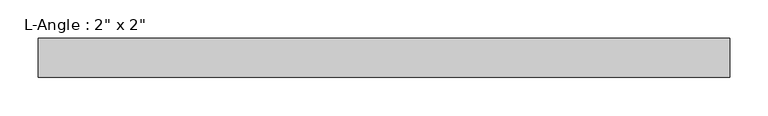
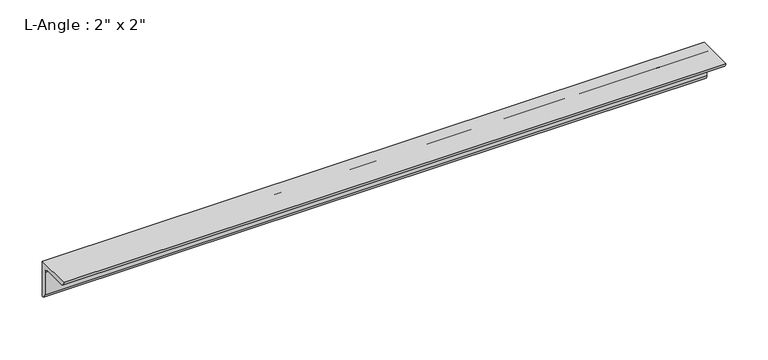
"""IFC4 building model written with IfcOpenShell, lengths in millimetres: beam geometry."""

import ifcopenshell
import ifcopenshell.guid

model = None  # the IFC model being written
_history = None  # IfcOwnerHistory: only IFC2X3 demands one
_inside = {}  # id of a spatial element -> (the spatial element, [elements in it])
_under = {}  # id of a project, library or spatial element -> (it, [spatial elements below it])
_declared = {}  # id of a project -> (the project, [libraries it declares])
_typed = {}  # id of a type object -> (the type object, [elements of that type])
_made_of = {}  # id of a material, layer set ... -> (it, [elements and type objects made of it])


def new_model(schema):
    """Start an empty IFC model of exactly this schema.

    Asked for "IFC4X3", IfcOpenShell would pick the latest addendum, in which some entities
    have other attributes; the version numbers below select the first issue.
    IFC2X3 requires an IfcOwnerHistory on every rooted entity: one is made here for all.
    """
    global model, _history
    if schema == "IFC4X3":
        model = ifcopenshell.file(schema_version=(4, 3, 0, 0))
    else:
        model = ifcopenshell.file(schema=schema)
    _inside.clear()
    _under.clear()
    _declared.clear()
    _typed.clear()
    _made_of.clear()
    _history = None
    if model.schema == "IFC2X3":
        org = make("IfcOrganization", Name="unknown")
        user = make(
            "IfcPersonAndOrganization",
            ThePerson=make("IfcPerson", FamilyName="unknown"),
            TheOrganization=org,
        )
        app = make(
            "IfcApplication",
            ApplicationDeveloper=org,
            Version="unknown",
            ApplicationFullName="unknown",
            ApplicationIdentifier="unknown",
        )
        _history = make(
            "IfcOwnerHistory",
            OwningUser=user,
            OwningApplication=app,
            ChangeAction="ADDED",
            CreationDate=0,
        )
    return model


def make(cls, **values):
    """One entity of the class cls with the attributes given. An attribute that is None is left unset."""
    return model.create_entity(
        cls, **{name: value for name, value in values.items() if value is not None}
    )


def rooted(cls, **values):
    """An entity with a GlobalId (a new one), such as an element, a storey or a relation."""
    return make(cls, GlobalId=ifcopenshell.guid.new(), OwnerHistory=_history, **values)


def si_unit(unit_type, name, prefix=None):
    """IfcSIUnit, for example si_unit("LENGTHUNIT", "METRE", prefix="MILLI")."""
    return make("IfcSIUnit", UnitType=unit_type, Prefix=prefix, Name=name)


def assignment(units):
    """IfcUnitAssignment: the units of a project."""
    return None if units is None else make("IfcUnitAssignment", Units=units)


def point(xyz):
    """IfcCartesianPoint."""
    return None if xyz is None else make("IfcCartesianPoint", Coordinates=xyz)


def direction(xyz):
    """IfcDirection."""
    return None if xyz is None else make("IfcDirection", DirectionRatios=xyz)


def frame(location, z_axis=None, x_axis=None):
    """IfcAxis2Placement3D, a coordinate frame: its origin and axes. An axis left out is left unset."""
    return make(
        "IfcAxis2Placement3D",
        Location=point(location),
        Axis=direction(z_axis),
        RefDirection=direction(x_axis),
    )


def frame_2d(location, x_axis=None):
    """IfcAxis2Placement2D, a coordinate frame in the plane: its origin and x axis."""
    return make(
        "IfcAxis2Placement2D", Location=point(location), RefDirection=direction(x_axis)
    )


def origin():
    """The frame at (0, 0, 0) with its axes left unset."""
    return frame((0.0, 0.0, 0.0))


def place(relative_to, where):
    """IfcLocalPlacement: puts the frame where relative to a parent placement (None: the world)."""
    return make(
        "IfcLocalPlacement", PlacementRelTo=relative_to, RelativePlacement=where
    )


def context(
    kind, dimensions, precision=None, world=None, true_north=None, identifier=None
):
    """IfcGeometricRepresentationContext, for example the 3D "Model" context."""
    return make(
        "IfcGeometricRepresentationContext",
        ContextIdentifier=identifier,
        ContextType=kind,
        CoordinateSpaceDimension=dimensions,
        Precision=precision,
        WorldCoordinateSystem=world,
        TrueNorth=true_north,
    )


def project(units=None, contexts=None):
    """IfcProject with its units and contexts."""
    return rooted(
        "IfcProject",
        Name="project",
        RepresentationContexts=contexts,
        UnitsInContext=assignment(units),
    )


def spatial(cls, under=None, at=None, **own):
    """A site, building, storey or space (cls), placed at a placement, below another one or the project."""
    s = rooted(cls, ObjectPlacement=at, **own)
    if under is not None:
        _under.setdefault(under.id(), (under, []))[1].append(s)
    return s


def polyline(points):
    """IfcPolyline through the points."""
    return make("IfcPolyline", Points=[point(p) for p in points])


def circle_curve(where, radius):
    """IfcCircle in the frame where."""
    return make("IfcCircle", Position=where, Radius=radius)


def trimmed(basis, trim1, trim2, sense, master):
    """IfcTrimmedCurve: the piece of a basis curve between two trims."""
    return make(
        "IfcTrimmedCurve",
        BasisCurve=basis,
        Trim1=trim1,
        Trim2=trim2,
        SenseAgreement=sense,
        MasterRepresentation=master,
    )


def segment(curve, same_sense, transition):
    """IfcCompositeCurveSegment."""
    return make(
        "IfcCompositeCurveSegment",
        Transition=transition,
        SameSense=same_sense,
        ParentCurve=curve,
    )


def composite_curve(segments, self_intersect=None):
    """IfcCompositeCurve: segments joined end to end."""
    return make("IfcCompositeCurve", Segments=segments, SelfIntersect=self_intersect)


def outline(outer, holes=None, kind="AREA"):
    """IfcArbitraryClosedProfileDef: a profile drawn as a closed curve; with holes, ...WithVoids."""
    if holes is None:
        return make("IfcArbitraryClosedProfileDef", ProfileType=kind, OuterCurve=outer)
    return make(
        "IfcArbitraryProfileDefWithVoids",
        ProfileType=kind,
        OuterCurve=outer,
        InnerCurves=holes,
    )


def extrude(swept, where, along, depth):
    """IfcExtrudedAreaSolid: the profile swept, set in the frame where, extruded along a direction by depth."""
    return make(
        "IfcExtrudedAreaSolid",
        SweptArea=swept,
        Position=where,
        ExtrudedDirection=direction(along),
        Depth=depth,
    )


def shape(context_of_items, identifier, shape_type, items):
    """IfcShapeRepresentation: the items that make up one representation, for example the "Body"."""
    return make(
        "IfcShapeRepresentation",
        ContextOfItems=context_of_items,
        RepresentationIdentifier=identifier,
        RepresentationType=shape_type,
        Items=items,
    )


def source(mapping_origin, context_of_items, identifier, shape_type, items):
    """IfcRepresentationMap: a shape defined once, which mapped items show again and again."""
    return make(
        "IfcRepresentationMap",
        MappingOrigin=mapping_origin,
        MappedRepresentation=shape(context_of_items, identifier, shape_type, items),
    )


def transform(
    local_origin,
    x_axis=None,
    y_axis=None,
    z_axis=None,
    scale=None,
    scale2=None,
    scale3=None,
    uniform=True,
):
    """IfcCartesianTransformationOperator3D, or its non-uniform kind. x_axis, y_axis, z_axis: its Axis1, 2, 3."""
    if uniform:
        return make(
            "IfcCartesianTransformationOperator3D",
            Axis1=direction(x_axis),
            Axis2=direction(y_axis),
            LocalOrigin=point(local_origin),
            Scale=scale,
            Axis3=direction(z_axis),
        )
    return make(
        "IfcCartesianTransformationOperator3DnonUniform",
        Axis1=direction(x_axis),
        Axis2=direction(y_axis),
        LocalOrigin=point(local_origin),
        Scale=scale,
        Axis3=direction(z_axis),
        Scale2=scale2,
        Scale3=scale3,
    )


def mapped(mapping_source, mapping_target):
    """IfcMappedItem: shows the shape of a source again, moved by a transform."""
    return make(
        "IfcMappedItem", MappingSource=mapping_source, MappingTarget=mapping_target
    )


def made_of(thing, what):
    """Note that an element or type object is made of a material, layer set ...; save() writes the relation."""
    if what is not None:
        _made_of.setdefault(what.id(), (what, []))[1].append(thing)
    return thing


def element(
    cls,
    number,
    at=None,
    inside=None,
    cuts=None,
    type_object=None,
    material=None,
    context=None,
    identifier="Body",
    shape_type=None,
    held_by="IfcProductDefinitionShape",
    body=None,
    shapes=None,
    **own,
):
    """One element of the class cls, such as IfcWall. Its Tag is "e" and its number.

    at: its placement. inside: the storey or other place that contains it. cuts: it is an
    opening in that element (IfcRelVoidsElement). A single representation is given by context,
    identifier, shape_type and body (its items); several are given by shapes. held_by: the class
    of the entity that holds the representations. save() writes the other relations.
    """
    e = rooted(cls, Tag="e%d" % number, ObjectPlacement=at, **own)
    if body is not None:
        shapes = [shape(context, identifier, shape_type, body)]
    if shapes is not None:
        e.Representation = make(held_by, Representations=shapes)
    if inside is not None:
        _inside.setdefault(inside.id(), (inside, []))[1].append(e)
    if cuts is not None:
        rooted(
            "IfcRelVoidsElement", RelatingBuildingElement=cuts, RelatedOpeningElement=e
        )
    if type_object is not None:
        _typed.setdefault(type_object.id(), (type_object, []))[1].append(e)
    return made_of(e, material)


def aggregate(whole, parts):
    """IfcRelAggregates: a whole, such as a stair, and the parts it consists of."""
    return rooted("IfcRelAggregates", RelatingObject=whole, RelatedObjects=parts)


def save(model, path):
    """Write the relations noted so far, then the file.

    IfcRelAggregates (storeys below a building ...), IfcRelContainedInSpatialStructure (elements
    in a storey), IfcRelDefinesByType, IfcRelAssociatesMaterial and IfcRelDeclares: one each for
    every whole, place, type object, material and project.
    """
    for whole, parts in _under.values():
        aggregate(whole, parts)
    for where, things in _inside.values():
        rooted(
            "IfcRelContainedInSpatialStructure",
            RelatedElements=things,
            RelatingStructure=where,
        )
    for kind, things in _typed.values():
        rooted("IfcRelDefinesByType", RelatedObjects=things, RelatingType=kind)
    for what, things in _made_of.values():
        rooted("IfcRelAssociatesMaterial", RelatedObjects=things, RelatingMaterial=what)
    for by, libraries in _declared.values():
        rooted("IfcRelDeclares", RelatingContext=by, RelatedDefinitions=libraries)
    model.write(path)


def beam_5ab0fe4d(model_context):
    return source(origin(), model_context, "Body", "SweptSolid", [
        extrude(outline(composite_curve([segment(polyline([(0.0, 0.0), (0.0, -50.8)]), True, "CONTINUOUS"), segment(trimmed(circle_curve(frame_2d((0.0, -44.45)), 6.35), [point((0.0, -50.8))], [point((-6.35, -44.45))], False, "CARTESIAN"), True, "CONTINUOUS"), segment(polyline([(-6.35, -44.45), (-6.35, -12.7)]), True, "CONTINUOUS"), segment(trimmed(circle_curve(frame_2d((-12.7, -12.7)), 6.35), [point((-6.35, -12.7))], [point((-12.7, -6.35))], True, "CARTESIAN"), True, "CONTINUOUS"), segment(polyline([(-12.7, -6.35), (-44.45, -6.35)]), True, "CONTINUOUS"), segment(trimmed(circle_curve(frame_2d((-44.45, 0.0)), 6.35), [point((-44.45, -6.35))], [point((-50.8, 0.0))], False, "CARTESIAN"), True, "CONTINUOUS"), segment(polyline([(-50.8, 0.0), (0.0, 0.0)]), True, "CONTINUOUS")], self_intersect=False)), frame((-451.1872662, 0.0, 0.0), z_axis=(1.0, 0.0, 0.0), x_axis=(0.0, 1.0, 0.0)), (0.0, 0.0, 1.0), 902.3745325),
    ])


if __name__ == "__main__":
    model = new_model("IFC4")
    model_context = context("Model", 3, world=origin())
    ifc_project = project(units=[si_unit("LENGTHUNIT", "METRE", prefix="MILLI")], contexts=[model_context])
    site = spatial("IfcSite", under=ifc_project)
    building = spatial("IfcBuilding", under=site)
    placement = place(None, origin())
    beam_shape = beam_5ab0fe4d(model_context)
    element("IfcBeam", 1, ObjectType="L-Angle : 2\" x 2\"", at=placement, inside=building, context=model_context, shape_type="MappedRepresentation", body=[
        mapped(beam_shape, transform((0.0, 0.0, 0.0), x_axis=(1.0, 0.0, 0.0), y_axis=(0.0, 1.0, 0.0), z_axis=(0.0, 0.0, 1.0))),
    ])
    save(model, "model.ifc")
